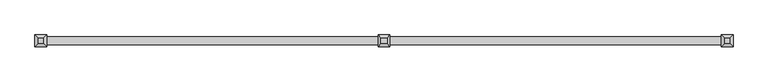
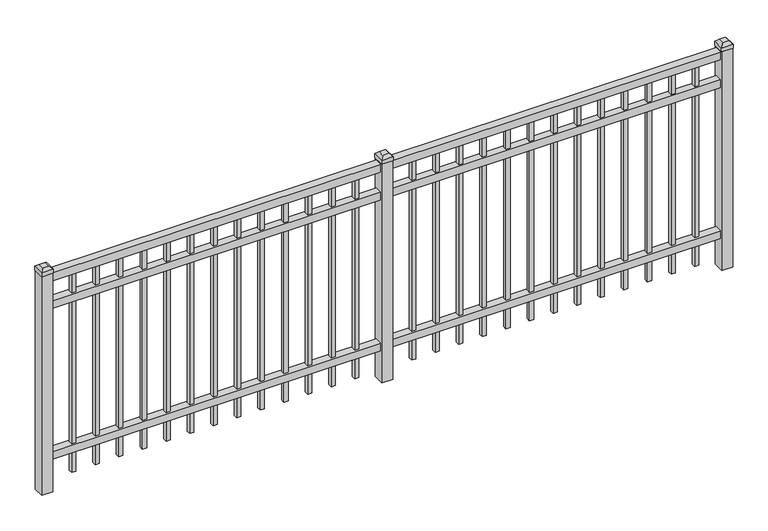
"""IFC4 building model written with IfcOpenShell, lengths in millimetres: railing geometry."""

from ifc_helpers import new_model, si_unit, frame, origin, origin_with_axes, place, context, project, spatial, polyline, outline, extrude, faceted_brep, source, transform, mapped, element, save


def railing_611bf54e(model_context):
    return source(origin(), model_context, "Body", "SolidModel", [
        extrude(outline(polyline([(-85729.318087, -3091.1195174), (-85729.318087, -3056.1945174), (-82579.718087, -3056.1945174), (-82579.718087, -3091.1195174), (-85729.318087, -3091.1195174)])), frame((0.0, 0.0, 1028.7), z_axis=(0.0, 0.0, 1.0), x_axis=(1.0, 0.0, 0.0)), (0.0, 0.0, 1.0), 38.1),
        extrude(outline(polyline([(-85729.318087, -3091.1195174), (-85729.318087, -3056.1945174), (-82579.718087, -3056.1945174), (-82579.718087, -3091.1195174), (-85729.318087, -3091.1195174)])), frame((0.0, 0.0, 892.175), z_axis=(0.0, 0.0, 1.0), x_axis=(1.0, 0.0, 0.0)), (0.0, 0.0, 1.0), 38.1),
        extrude(outline(polyline([(-85729.318087, -3091.1195174), (-85729.318087, -3056.1945174), (-82579.718087, -3056.1945174), (-82579.718087, -3091.1195174), (-85729.318087, -3091.1195174)])), frame((0.0, 0.0, 152.4), z_axis=(0.0, 0.0, 1.0), x_axis=(1.0, 0.0, 0.0)), (0.0, 0.0, 1.0), 38.1),
        extrude(outline(polyline([(-82811.2285036, -3064.1320174), (-82811.2285036, -3083.1820174), (-82830.2785036, -3083.1820174), (-82830.2785036, -3064.1320174), (-82811.2285036, -3064.1320174)])), frame((0.0, 0.0, 50.8), z_axis=(0.0, 0.0, 1.0), x_axis=(1.0, 0.0, 0.0)), (0.0, 0.0, 1.0), 977.9),
        extrude(outline(polyline([(-82920.5014203, -3064.1320174), (-82920.5014203, -3083.1820174), (-82939.5514203, -3083.1820174), (-82939.5514203, -3064.1320174), (-82920.5014203, -3064.1320174)])), frame((0.0, 0.0, 50.8), z_axis=(0.0, 0.0, 1.0), x_axis=(1.0, 0.0, 0.0)), (0.0, 0.0, 1.0), 977.9),
        extrude(outline(polyline([(-83029.774337, -3064.1320174), (-83029.774337, -3083.1820174), (-83048.824337, -3083.1820174), (-83048.824337, -3064.1320174), (-83029.774337, -3064.1320174)])), frame((0.0, 0.0, 50.8), z_axis=(0.0, 0.0, 1.0), x_axis=(1.0, 0.0, 0.0)), (0.0, 0.0, 1.0), 977.9),
        extrude(outline(polyline([(-83139.0472536, -3064.1320174), (-83139.0472536, -3083.1820174), (-83158.0972536, -3083.1820174), (-83158.0972536, -3064.1320174), (-83139.0472536, -3064.1320174)])), frame((0.0, 0.0, 50.8), z_axis=(0.0, 0.0, 1.0), x_axis=(1.0, 0.0, 0.0)), (0.0, 0.0, 1.0), 977.9),
        extrude(outline(polyline([(-83248.3201703, -3064.1320174), (-83248.3201703, -3083.1820174), (-83267.3701703, -3083.1820174), (-83267.3701703, -3064.1320174), (-83248.3201703, -3064.1320174)])), frame((0.0, 0.0, 50.8), z_axis=(0.0, 0.0, 1.0), x_axis=(1.0, 0.0, 0.0)), (0.0, 0.0, 1.0), 977.9),
        extrude(outline(polyline([(-83357.593087, -3064.1320174), (-83357.593087, -3083.1820174), (-83376.643087, -3083.1820174), (-83376.643087, -3064.1320174), (-83357.593087, -3064.1320174)])), frame((0.0, 0.0, 50.8), z_axis=(0.0, 0.0, 1.0), x_axis=(1.0, 0.0, 0.0)), (0.0, 0.0, 1.0), 977.9),
        extrude(outline(polyline([(-83466.8660036, -3064.1320174), (-83466.8660036, -3083.1820174), (-83485.9160036, -3083.1820174), (-83485.9160036, -3064.1320174), (-83466.8660036, -3064.1320174)])), frame((0.0, 0.0, 50.8), z_axis=(0.0, 0.0, 1.0), x_axis=(1.0, 0.0, 0.0)), (0.0, 0.0, 1.0), 977.9),
        extrude(outline(polyline([(-83576.1389203, -3064.1320174), (-83576.1389203, -3083.1820174), (-83595.1889203, -3083.1820174), (-83595.1889203, -3064.1320174), (-83576.1389203, -3064.1320174)])), frame((0.0, 0.0, 50.8), z_axis=(0.0, 0.0, 1.0), x_axis=(1.0, 0.0, 0.0)), (0.0, 0.0, 1.0), 977.9),
        extrude(outline(polyline([(-83685.411837, -3064.1320174), (-83685.411837, -3083.1820174), (-83704.461837, -3083.1820174), (-83704.461837, -3064.1320174), (-83685.411837, -3064.1320174)])), frame((0.0, 0.0, 50.8), z_axis=(0.0, 0.0, 1.0), x_axis=(1.0, 0.0, 0.0)), (0.0, 0.0, 1.0), 977.9),
        extrude(outline(polyline([(-83794.6847536, -3064.1320174), (-83794.6847536, -3083.1820174), (-83813.7347536, -3083.1820174), (-83813.7347536, -3064.1320174), (-83794.6847536, -3064.1320174)])), frame((0.0, 0.0, 50.8), z_axis=(0.0, 0.0, 1.0), x_axis=(1.0, 0.0, 0.0)), (0.0, 0.0, 1.0), 977.9),
        extrude(outline(polyline([(-83903.9576703, -3064.1320174), (-83903.9576703, -3083.1820174), (-83923.0076703, -3083.1820174), (-83923.0076703, -3064.1320174), (-83903.9576703, -3064.1320174)])), frame((0.0, 0.0, 50.8), z_axis=(0.0, 0.0, 1.0), x_axis=(1.0, 0.0, 0.0)), (0.0, 0.0, 1.0), 977.9),
        extrude(outline(polyline([(-82701.955587, -3064.1320174), (-82701.955587, -3083.1820174), (-82721.005587, -3083.1820174), (-82721.005587, -3064.1320174), (-82701.955587, -3064.1320174)])), frame((0.0, 0.0, 50.8), z_axis=(0.0, 0.0, 1.0), x_axis=(1.0, 0.0, 0.0)), (0.0, 0.0, 1.0), 977.9),
        extrude(outline(polyline([(-84013.230587, -3064.1320174), (-84013.230587, -3083.1820174), (-84032.280587, -3083.1820174), (-84032.280587, -3064.1320174), (-84013.230587, -3064.1320174)])), frame((0.0, 0.0, 50.8), z_axis=(0.0, 0.0, 1.0), x_axis=(1.0, 0.0, 0.0)), (0.0, 0.0, 1.0), 977.9),
        faceted_brep([(-84181.505587, -3046.6695174, 1092.2), (-84181.505587, -3046.6695174, 1073.15), (-84181.505587, -3100.6445174, 1073.15), (-84181.505587, -3100.6445174, 1092.2), (-84168.805587, -3059.3695174, 1104.9), (-84168.805587, -3087.9445174, 1104.9), (-84127.530587, -3100.6445174, 1073.15), (-84127.530587, -3100.6445174, 1092.2), (-84140.230587, -3087.9445174, 1104.9), (-84127.530587, -3046.6695174, 1073.15), (-84127.530587, -3046.6695174, 1092.2), (-84140.230587, -3059.3695174, 1104.9)], [[[0, 1, 2, 3]], [[4, 0, 3, 5]], [[3, 2, 6, 7]], [[5, 3, 7, 8]], [[7, 6, 9, 10]], [[8, 7, 10, 11]], [[10, 9, 1, 0]], [[11, 10, 0, 4]], [[5, 8, 11, 4]], [[1, 9, 6, 2]]]),
        extrude(outline(polyline([(-84129.118087, -3048.2570174), (-84129.118087, -3099.0570174), (-84179.918087, -3099.0570174), (-84179.918087, -3048.2570174), (-84129.118087, -3048.2570174)])), origin_with_axes(), (0.0, 0.0, 1.0), 1073.15),
        extrude(outline(polyline([(-84386.0285036, -3064.1320174), (-84386.0285036, -3083.1820174), (-84405.0785036, -3083.1820174), (-84405.0785036, -3064.1320174), (-84386.0285036, -3064.1320174)])), frame((0.0, 0.0, 50.8), z_axis=(0.0, 0.0, 1.0), x_axis=(1.0, 0.0, 0.0)), (0.0, 0.0, 1.0), 977.9),
        extrude(outline(polyline([(-84495.3014203, -3064.1320174), (-84495.3014203, -3083.1820174), (-84514.3514203, -3083.1820174), (-84514.3514203, -3064.1320174), (-84495.3014203, -3064.1320174)])), frame((0.0, 0.0, 50.8), z_axis=(0.0, 0.0, 1.0), x_axis=(1.0, 0.0, 0.0)), (0.0, 0.0, 1.0), 977.9),
        extrude(outline(polyline([(-84604.574337, -3064.1320174), (-84604.574337, -3083.1820174), (-84623.624337, -3083.1820174), (-84623.624337, -3064.1320174), (-84604.574337, -3064.1320174)])), frame((0.0, 0.0, 50.8), z_axis=(0.0, 0.0, 1.0), x_axis=(1.0, 0.0, 0.0)), (0.0, 0.0, 1.0), 977.9),
        extrude(outline(polyline([(-84713.8472536, -3064.1320174), (-84713.8472536, -3083.1820174), (-84732.8972536, -3083.1820174), (-84732.8972536, -3064.1320174), (-84713.8472536, -3064.1320174)])), frame((0.0, 0.0, 50.8), z_axis=(0.0, 0.0, 1.0), x_axis=(1.0, 0.0, 0.0)), (0.0, 0.0, 1.0), 977.9),
        extrude(outline(polyline([(-84823.1201703, -3064.1320174), (-84823.1201703, -3083.1820174), (-84842.1701703, -3083.1820174), (-84842.1701703, -3064.1320174), (-84823.1201703, -3064.1320174)])), frame((0.0, 0.0, 50.8), z_axis=(0.0, 0.0, 1.0), x_axis=(1.0, 0.0, 0.0)), (0.0, 0.0, 1.0), 977.9),
        extrude(outline(polyline([(-84932.393087, -3064.1320174), (-84932.393087, -3083.1820174), (-84951.443087, -3083.1820174), (-84951.443087, -3064.1320174), (-84932.393087, -3064.1320174)])), frame((0.0, 0.0, 50.8), z_axis=(0.0, 0.0, 1.0), x_axis=(1.0, 0.0, 0.0)), (0.0, 0.0, 1.0), 977.9),
        extrude(outline(polyline([(-85041.6660036, -3064.1320174), (-85041.6660036, -3083.1820174), (-85060.7160036, -3083.1820174), (-85060.7160036, -3064.1320174), (-85041.6660036, -3064.1320174)])), frame((0.0, 0.0, 50.8), z_axis=(0.0, 0.0, 1.0), x_axis=(1.0, 0.0, 0.0)), (0.0, 0.0, 1.0), 977.9),
        extrude(outline(polyline([(-85150.9389203, -3064.1320174), (-85150.9389203, -3083.1820174), (-85169.9889203, -3083.1820174), (-85169.9889203, -3064.1320174), (-85150.9389203, -3064.1320174)])), frame((0.0, 0.0, 50.8), z_axis=(0.0, 0.0, 1.0), x_axis=(1.0, 0.0, 0.0)), (0.0, 0.0, 1.0), 977.9),
        extrude(outline(polyline([(-85260.211837, -3064.1320174), (-85260.211837, -3083.1820174), (-85279.261837, -3083.1820174), (-85279.261837, -3064.1320174), (-85260.211837, -3064.1320174)])), frame((0.0, 0.0, 50.8), z_axis=(0.0, 0.0, 1.0), x_axis=(1.0, 0.0, 0.0)), (0.0, 0.0, 1.0), 977.9),
        extrude(outline(polyline([(-85369.4847536, -3064.1320174), (-85369.4847536, -3083.1820174), (-85388.5347536, -3083.1820174), (-85388.5347536, -3064.1320174), (-85369.4847536, -3064.1320174)])), frame((0.0, 0.0, 50.8), z_axis=(0.0, 0.0, 1.0), x_axis=(1.0, 0.0, 0.0)), (0.0, 0.0, 1.0), 977.9),
        extrude(outline(polyline([(-85478.7576703, -3064.1320174), (-85478.7576703, -3083.1820174), (-85497.8076703, -3083.1820174), (-85497.8076703, -3064.1320174), (-85478.7576703, -3064.1320174)])), frame((0.0, 0.0, 50.8), z_axis=(0.0, 0.0, 1.0), x_axis=(1.0, 0.0, 0.0)), (0.0, 0.0, 1.0), 977.9),
        extrude(outline(polyline([(-84276.755587, -3064.1320174), (-84276.755587, -3083.1820174), (-84295.805587, -3083.1820174), (-84295.805587, -3064.1320174), (-84276.755587, -3064.1320174)])), frame((0.0, 0.0, 50.8), z_axis=(0.0, 0.0, 1.0), x_axis=(1.0, 0.0, 0.0)), (0.0, 0.0, 1.0), 977.9),
        extrude(outline(polyline([(-85588.030587, -3064.1320174), (-85588.030587, -3083.1820174), (-85607.080587, -3083.1820174), (-85607.080587, -3064.1320174), (-85588.030587, -3064.1320174)])), frame((0.0, 0.0, 50.8), z_axis=(0.0, 0.0, 1.0), x_axis=(1.0, 0.0, 0.0)), (0.0, 0.0, 1.0), 977.9),
        faceted_brep([(-82606.705587, -3046.6695174, 1092.2), (-82606.705587, -3046.6695174, 1073.15), (-82606.705587, -3100.6445174, 1073.15), (-82606.705587, -3100.6445174, 1092.2), (-82594.005587, -3059.3695174, 1104.9), (-82594.005587, -3087.9445174, 1104.9), (-82552.730587, -3100.6445174, 1073.15), (-82552.730587, -3100.6445174, 1092.2), (-82565.430587, -3087.9445174, 1104.9), (-82552.730587, -3046.6695174, 1073.15), (-82552.730587, -3046.6695174, 1092.2), (-82565.430587, -3059.3695174, 1104.9)], [[[0, 1, 2, 3]], [[4, 0, 3, 5]], [[3, 2, 6, 7]], [[5, 3, 7, 8]], [[7, 6, 9, 10]], [[8, 7, 10, 11]], [[10, 9, 1, 0]], [[11, 10, 0, 4]], [[5, 8, 11, 4]], [[1, 9, 6, 2]]]),
        extrude(outline(polyline([(-82554.318087, -3048.2570174), (-82554.318087, -3099.0570174), (-82605.118087, -3099.0570174), (-82605.118087, -3048.2570174), (-82554.318087, -3048.2570174)])), origin_with_axes(), (0.0, 0.0, 1.0), 1073.15),
        faceted_brep([(-85756.305587, -3046.6695174, 1092.2), (-85756.305587, -3046.6695174, 1073.15), (-85756.305587, -3100.6445174, 1073.15), (-85756.305587, -3100.6445174, 1092.2), (-85743.605587, -3059.3695174, 1104.9), (-85743.605587, -3087.9445174, 1104.9), (-85702.330587, -3100.6445174, 1073.15), (-85702.330587, -3100.6445174, 1092.2), (-85715.030587, -3087.9445174, 1104.9), (-85702.330587, -3046.6695174, 1073.15), (-85702.330587, -3046.6695174, 1092.2), (-85715.030587, -3059.3695174, 1104.9)], [[[0, 1, 2, 3]], [[4, 0, 3, 5]], [[3, 2, 6, 7]], [[5, 3, 7, 8]], [[7, 6, 9, 10]], [[8, 7, 10, 11]], [[10, 9, 1, 0]], [[11, 10, 0, 4]], [[5, 8, 11, 4]], [[1, 9, 6, 2]]]),
        extrude(outline(polyline([(-85703.918087, -3048.2570174), (-85703.918087, -3099.0570174), (-85754.718087, -3099.0570174), (-85754.718087, -3048.2570174), (-85703.918087, -3048.2570174)])), origin_with_axes(), (0.0, 0.0, 1.0), 1073.15),
    ])


if __name__ == "__main__":
    model = new_model("IFC4")
    model_context = context("Model", 3, world=origin())
    ifc_project = project(units=[si_unit("LENGTHUNIT", "METRE", prefix="MILLI")], contexts=[model_context])
    site = spatial("IfcSite", under=ifc_project)
    building = spatial("IfcBuilding", under=site)
    placement = place(None, origin())
    railing_shape = railing_611bf54e(model_context)
    element("IfcRailing", 1, at=placement, inside=building, context=model_context, shape_type="MappedRepresentation", body=[
        mapped(railing_shape, transform((0.0, 0.0, 0.0), x_axis=(1.0, 0.0, 0.0), y_axis=(0.0, 1.0, 0.0), z_axis=(0.0, 0.0, 1.0))),
    ])
    save(model, "model.ifc")
